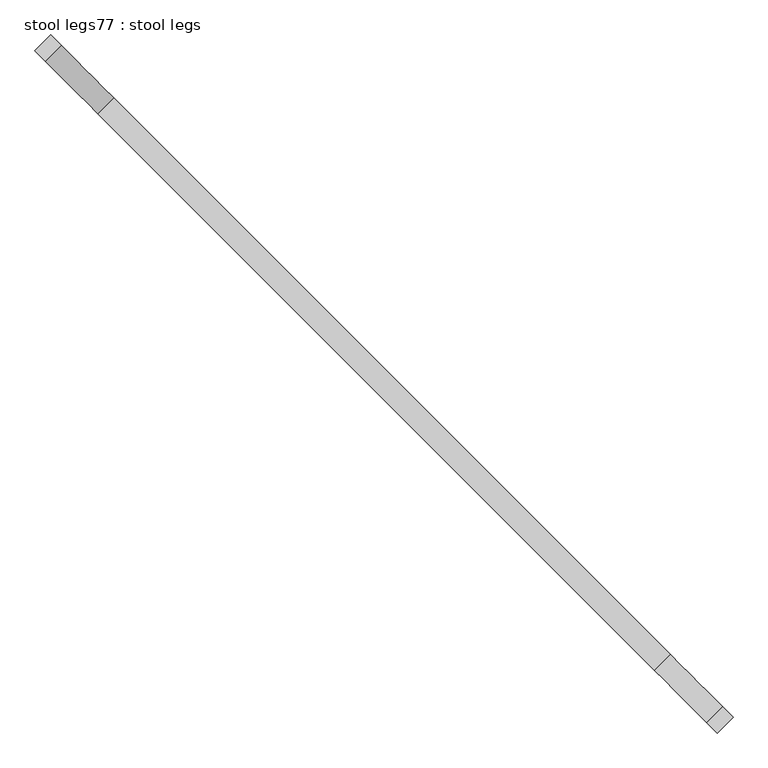
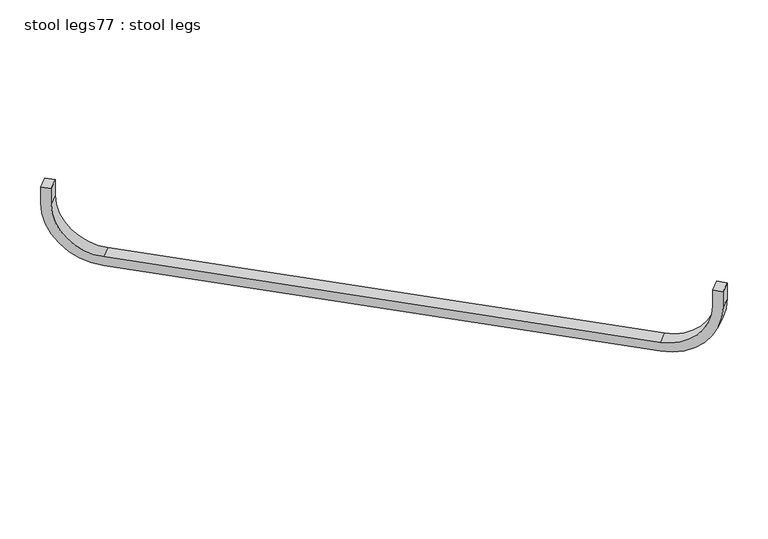
"""IFC4 building model written with IfcOpenShell, lengths in millimetres: furniture geometry, stool legs77 : stool legs."""

from ifc_helpers import new_model, si_unit, point, frame, frame_2d, origin, place, context, project, spatial, polyline, circle_curve, trimmed, segment, composite_curve, outline, extrude, source, transform, mapped, element, save


def stool_legs77_stool_legs_0ea8643e(model_context):
    return source(origin(), model_context, "Body", "SweptSolid", [
        extrude(outline(composite_curve([segment(polyline([(0.0, 254.0), (-44.45, 254.0), (-44.45, 279.4), (0.0, 279.4)]), True, "CONTINUOUS"), segment(trimmed(circle_curve(frame_2d((0.0, 127.0)), 152.4), [point((0.0, 279.4))], [point((152.4, 127.0))], False, "CARTESIAN"), True, "CONTINUOUS"), segment(polyline([(152.4, 127.0), (152.4, -1219.2)]), True, "CONTINUOUS"), segment(trimmed(circle_curve(frame_2d((0.0, -1219.2)), 152.4), [point((152.4, -1219.2))], [point((0.0, -1371.6))], False, "CARTESIAN"), True, "CONTINUOUS"), segment(polyline([(0.0, -1371.6), (-44.45, -1371.6), (-44.45, -1346.2), (0.0, -1346.2)]), True, "CONTINUOUS"), segment(trimmed(circle_curve(frame_2d((0.0, -1219.2)), 127.0), [point((0.0, -1346.2))], [point((127.0, -1219.2))], True, "CARTESIAN"), True, "CONTINUOUS"), segment(polyline([(127.0, -1219.2), (127.0, 127.0)]), True, "CONTINUOUS"), segment(trimmed(circle_curve(frame_2d((0.0, 127.0)), 127.0), [point((127.0, 127.0))], [point((0.0, 254.0))], True, "CARTESIAN"), True, "CONTINUOUS")], self_intersect=False)), frame((-121387.5547031, -63530.215122, 412.75), z_axis=(0.7071067811865757, 0.7071067811865194, 0.0), x_axis=(0.0, 0.0, -1.0)), (0.0, 0.0, 1.0), 38.1),
    ])


if __name__ == "__main__":
    model = new_model("IFC4")
    model_context = context("Model", 3, world=origin())
    ifc_project = project(units=[si_unit("LENGTHUNIT", "METRE", prefix="MILLI")], contexts=[model_context])
    site = spatial("IfcSite", under=ifc_project)
    building = spatial("IfcBuilding", under=site)
    placement = place(None, origin())
    stool_legs77_stool_legs_shape = stool_legs77_stool_legs_0ea8643e(model_context)
    element("IfcFurniture", 1, ObjectType="stool legs77 : stool legs", at=placement, inside=building, context=model_context, shape_type="MappedRepresentation", body=[
        mapped(stool_legs77_stool_legs_shape, transform((0.0, 0.0, 0.0), x_axis=(1.0, 0.0, 0.0), y_axis=(0.0, 1.0, 0.0), z_axis=(0.0, 0.0, 1.0))),
    ])
    save(model, "model.ifc")
